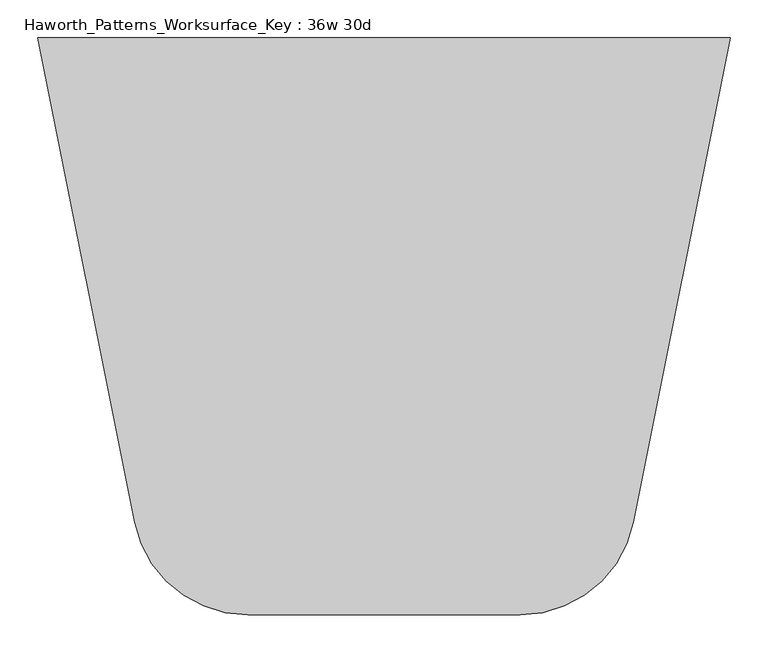
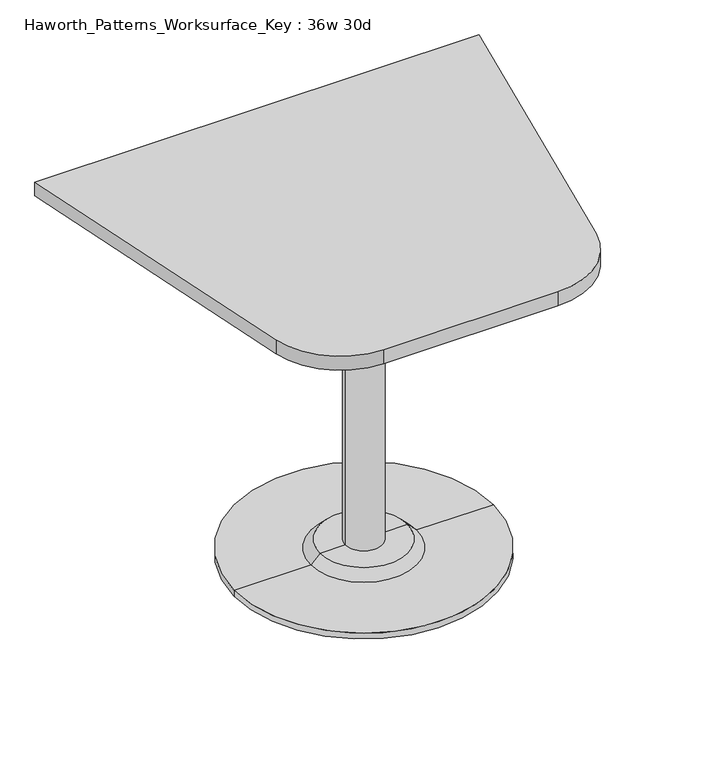
"""IFC4 building model written with IfcOpenShell, lengths in millimetres: furniture geometry, Haworth_Patterns_Worksurface_Key : 36w 30d."""

from ifc_helpers import new_model, si_unit, point, frame, frame_2d, origin, place, context, project, spatial, polyline, circle_curve, trimmed, segment, composite_curve, outline, extrude, source, transform, mapped, element, save
from ifc_brep_helpers import plane_surface, cylinder_surface, revolved_surface, advanced_brep


def haworth_patterns_worksurface_key_36w_30d_6e885d31(model_context):
    return source(origin(), model_context, "Body", "SolidModel", [
        advanced_brep(
        [(38.1, 139.7, 706.4375), (-38.1, 139.7, 706.4375), (0.0, 139.7, 706.4375), (38.1, 139.7, 31.75), (-38.1, 139.7, 31.75), (89.723978, 139.7, 31.75), (-89.723978, 139.7, 31.75), (266.7, 139.7, 0.0), (-266.7, 139.7, 0.0), (-266.7, 139.7, 12.7), (266.7, 139.7, 12.7), (0.0, 139.7, 0.0), (108.773978, 139.7, 12.7), (-108.773978, 139.7, 12.7)],
        [
            (0, 1, circle_curve(frame((0.0, 139.7, 706.4375), z_axis=(0.0, 0.0, 1.0), x_axis=(-1.0, 0.0, 0.0)), 38.1)),
            (1, 2),
            (2, 0),
            (1, 0, circle_curve(frame((0.0, 139.7, 706.4375), z_axis=(0.0, 0.0, 1.0), x_axis=(-1.0, 0.0, 0.0)), 38.1)),
            (3, 4, circle_curve(frame((0.0, 139.7, 31.75), z_axis=(0.0, 0.0, 1.0), x_axis=(-1.0, 0.0, 0.0)), 38.1)),
            (4, 1),
            (0, 3),
            (4, 3, circle_curve(frame((0.0, 139.7, 31.75), z_axis=(0.0, 0.0, 1.0), x_axis=(-1.0, 0.0, 0.0)), 38.1)),
            (5, 6, circle_curve(frame((0.0, 139.7, 31.75), z_axis=(0.0, 0.0, 1.0), x_axis=(-1.0, 0.0, 0.0)), 89.723978)),
            (6, 4),
            (3, 5),
            (6, 5, circle_curve(frame((0.0, 139.7, 31.75), z_axis=(0.0, 0.0, 1.0), x_axis=(-1.0, 0.0, 0.0)), 89.723978)),
            (7, 8, circle_curve(frame((0.0, 139.7, 0.0), z_axis=(0.0, 0.0, 1.0), x_axis=(-1.0, 0.0, 0.0)), 266.7)),
            (8, 9),
            (9, 10, circle_curve(frame((0.0, 139.7, 12.7), z_axis=(0.0, 0.0, -1.0), x_axis=(-1.0, 0.0, 0.0)), 266.7)),
            (10, 7),
            (8, 7, circle_curve(frame((0.0, 139.7, 0.0), z_axis=(0.0, 0.0, 1.0), x_axis=(-1.0, 0.0, 0.0)), 266.7)),
            (10, 9, circle_curve(frame((0.0, 139.7, 12.7), z_axis=(0.0, 0.0, -1.0), x_axis=(-1.0, 0.0, 0.0)), 266.7)),
            (11, 8),
            (7, 11),
            (12, 13, circle_curve(frame((0.0, 139.7, 12.7), z_axis=(0.0, 0.0, 1.0), x_axis=(-1.0, 0.0, 0.0)), 108.773978)),
            (13, 6),
            (5, 12),
            (13, 12, circle_curve(frame((0.0, 139.7, 12.7), z_axis=(0.0, 0.0, 1.0), x_axis=(-1.0, 0.0, 0.0)), 108.773978)),
            (9, 13),
            (12, 10),
        ],
        [
            plane_surface(frame((0.0, 139.7, 706.4375), z_axis=(0.0, 0.0, 1.0), x_axis=(-1.0, 0.0, 0.0))),
            cylinder_surface(frame((0.0, 139.7, 889.623257), z_axis=(0.0, 0.0, -1.0), x_axis=(-1.0, 0.0, 0.0)), 38.1),
            plane_surface(frame((0.0, 139.7, 31.75), z_axis=(0.0, 0.0, 1.0), x_axis=(-1.0, 0.0, 0.0))),
            cylinder_surface(frame((0.0, 139.7, 889.623257), z_axis=(0.0, 0.0, -1.0), x_axis=(-1.0, 0.0, 0.0)), 266.7),
            plane_surface(frame((0.0, 139.7, 0.0), z_axis=(0.0, 0.0, -1.0), x_axis=(-1.0, 0.0, 0.0))),
            revolved_surface(polyline([(-89.723978, 139.7, 31.75), (-108.773978, 139.7, 12.7)]), (0.0, 139.7, 889.623257), (0.0, 0.0, -1.0)),
            plane_surface(frame((0.0, 139.7, 12.7), z_axis=(0.0, 0.0, 1.0), x_axis=(-1.0, 0.0, 0.0))),
        ],
        [
            (0, [[1, 2, 3]]),
            (0, [[4, -3, -2]]),
            (1, [[5, 6, -1, 7]]),
            (1, [[8, -7, -4, -6]]),
            (2, [[9, 10, -5, 11]]),
            (2, [[12, -11, -8, -10]]),
            (3, [[13, 14, 15, 16]]),
            (3, [[17, -16, 18, -14]]),
            (4, [[19, -13, 20]]),
            (4, [[-20, -17, -19]]),
            (5, [[21, 22, -9, 23]]),
            (5, [[24, -23, -12, -22]]),
            (6, [[-15, 25, -21, 26]]),
            (6, [[-18, -26, -24, -25]]),
        ],
    ),
        extrude(outline(composite_curve([segment(polyline([(457.2, 520.7), (329.3023802, -118.788099)]), True, "CONTINUOUS"), segment(trimmed(circle_curve(frame_2d((179.8618852, -88.9)), 152.4), [point((329.3023802, -118.788099))], [point((179.8618852, -241.3))], False, "CARTESIAN"), True, "CONTINUOUS"), segment(polyline([(179.8618852, -241.3), (-179.8618852, -241.3)]), True, "CONTINUOUS"), segment(trimmed(circle_curve(frame_2d((-179.8618852, -88.9)), 152.4), [point((-179.8618852, -241.3))], [point((-329.3023802, -118.788099))], False, "CARTESIAN"), True, "CONTINUOUS"), segment(polyline([(-329.3023802, -118.788099), (-457.2, 520.7), (457.2, 520.7)]), True, "CONTINUOUS")], self_intersect=False)), frame((0.0, 0.0, 706.4375), z_axis=(0.0, 0.0, 1.0), x_axis=(1.0, 0.0, 0.0)), (0.0, 0.0, 1.0), 30.1625),
    ])


if __name__ == "__main__":
    model = new_model("IFC4")
    model_context = context("Model", 3, world=origin())
    ifc_project = project(units=[si_unit("LENGTHUNIT", "METRE", prefix="MILLI")], contexts=[model_context])
    site = spatial("IfcSite", under=ifc_project)
    building = spatial("IfcBuilding", under=site)
    placement = place(None, origin())
    haworth_patterns_worksurface_key_36w_30d_shape = haworth_patterns_worksurface_key_36w_30d_6e885d31(model_context)
    element("IfcFurniture", 1, ObjectType="Haworth_Patterns_Worksurface_Key : 36w 30d", at=placement, inside=building, context=model_context, shape_type="MappedRepresentation", body=[
        mapped(haworth_patterns_worksurface_key_36w_30d_shape, transform((0.0, 0.0, 0.0), x_axis=(1.0, 0.0, 0.0), y_axis=(0.0, 1.0, 0.0), z_axis=(0.0, 0.0, 1.0))),
    ])
    save(model, "model.ifc")
